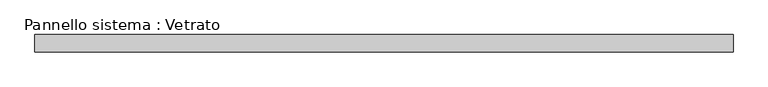
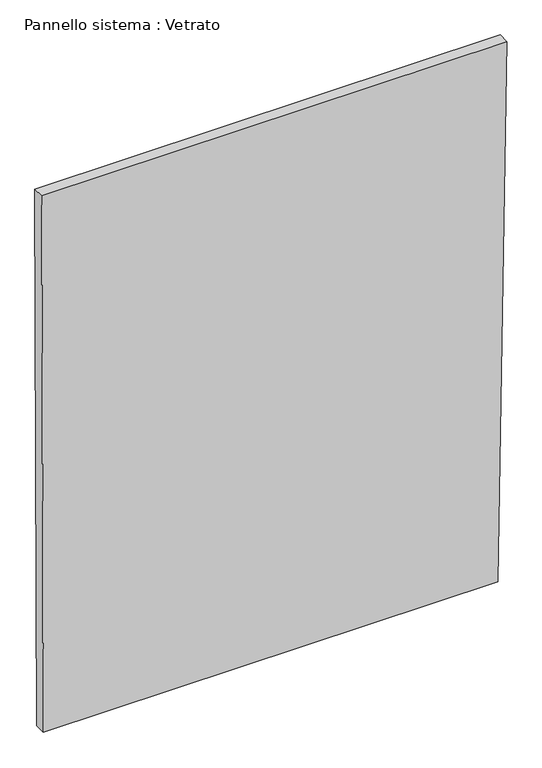
"""IFC4 building model written with IfcOpenShell, lengths in millimetres: plate geometry, Pannello sistema : Vetrato."""

from ifc_helpers import new_model, si_unit, frame, origin, place, context, project, spatial, polyline, outline, extrude, source, transform, mapped, element, save


def pannello_sistema_vetrato_9420cfec(model_context):
    return source(origin(), model_context, "Body", "SweptSolid", [
        extrude(outline(polyline([(0.0, -594.6763875), (1.0819965, 574.9799402), (1461.4354073, 599.3406063), (1461.4354073, -599.3406063), (0.0, -594.6763875)])), frame((0.0, -15.0, 0.0), z_axis=(0.0, 1.0, 0.0), x_axis=(0.0, 0.0, 1.0)), (0.0, 0.0, 1.0), 30.0),
    ])


if __name__ == "__main__":
    model = new_model("IFC4")
    model_context = context("Model", 3, world=origin())
    ifc_project = project(units=[si_unit("LENGTHUNIT", "METRE", prefix="MILLI")], contexts=[model_context])
    site = spatial("IfcSite", under=ifc_project)
    building = spatial("IfcBuilding", under=site)
    placement = place(None, origin())
    pannello_sistema_vetrato_shape = pannello_sistema_vetrato_9420cfec(model_context)
    element("IfcPlate", 1, ObjectType="Pannello sistema : Vetrato", at=placement, inside=building, context=model_context, shape_type="MappedRepresentation", body=[
        mapped(pannello_sistema_vetrato_shape, transform((0.0, 0.0, 0.0), x_axis=(1.0, 0.0, 0.0), y_axis=(0.0, 1.0, 0.0), z_axis=(0.0, 0.0, 1.0))),
    ])
    save(model, "model.ifc")
